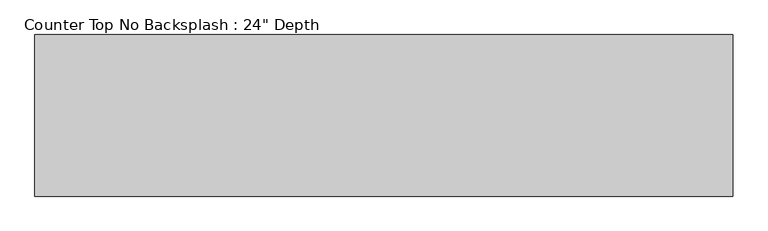
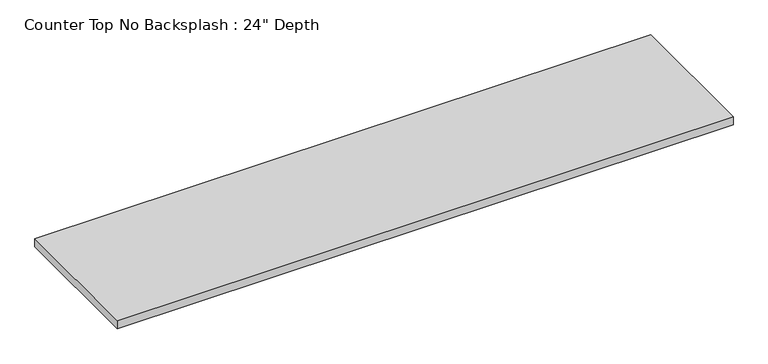
"""IFC4 building model written with IfcOpenShell, lengths in millimetres: furniture geometry."""

from ifc_helpers import new_model, si_unit, frame, origin, place, context, project, spatial, polyline, outline, extrude, source, transform, mapped, element, save


def furniture_d9aa6c11(model_context):
    return source(origin(), model_context, "Body", "SweptSolid", [
        extrude(outline(polyline([(1542.7377049, 0.0), (1542.7377049, -635.0), (-1200.4622951, -635.0), (-1200.4622951, 0.0), (1542.7377049, 0.0)])), frame((0.0, 0.0, 876.3), z_axis=(0.0, 0.0, 1.0), x_axis=(1.0, 0.0, 0.0)), (0.0, 0.0, 1.0), 38.1),
    ])


if __name__ == "__main__":
    model = new_model("IFC4")
    model_context = context("Model", 3, world=origin())
    ifc_project = project(units=[si_unit("LENGTHUNIT", "METRE", prefix="MILLI")], contexts=[model_context])
    site = spatial("IfcSite", under=ifc_project)
    building = spatial("IfcBuilding", under=site)
    placement = place(None, origin())
    furniture_shape = furniture_d9aa6c11(model_context)
    element("IfcFurniture", 1, ObjectType="Counter Top No Backsplash : 24\" Depth", at=placement, inside=building, context=model_context, shape_type="MappedRepresentation", body=[
        mapped(furniture_shape, transform((0.0, 0.0, 0.0), x_axis=(1.0, 0.0, 0.0), y_axis=(0.0, 1.0, 0.0), z_axis=(0.0, 0.0, 1.0))),
    ])
    save(model, "model.ifc")
